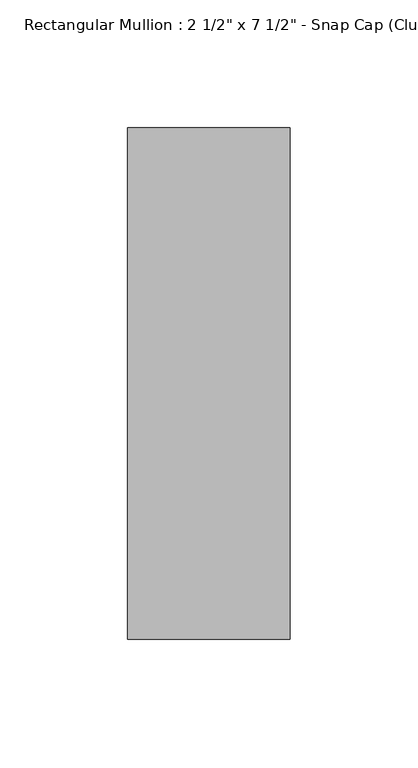
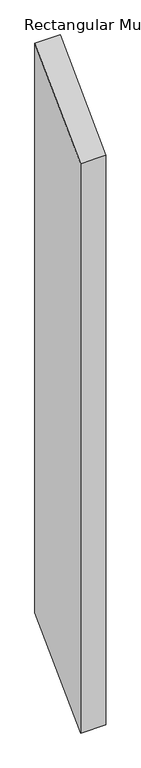
"""IFC4 building model written with IfcOpenShell, lengths in millimetres: member geometry."""

from ifc_helpers import new_model, si_unit, frame, origin, place, context, project, spatial, polyline, outline, extrude, source, transform, mapped, element, save


def member_6a401516(model_context):
    return source(origin(), model_context, "Body", "SweptSolid", [
        extrude(outline(polyline([(-25.8, -25.8), (174.2, 174.2), (174.2, -1346.8), (-25.8, -1546.8), (-25.8, -25.8)])), frame((-63.5, 0.0, 0.0), z_axis=(1.0, 0.0, 0.0), x_axis=(0.0, 1.0, 0.0)), (0.0, 0.0, 1.0), 63.5),
    ])


if __name__ == "__main__":
    model = new_model("IFC4")
    model_context = context("Model", 3, world=origin())
    ifc_project = project(units=[si_unit("LENGTHUNIT", "METRE", prefix="MILLI")], contexts=[model_context])
    site = spatial("IfcSite", under=ifc_project)
    building = spatial("IfcBuilding", under=site)
    placement = place(None, origin())
    member_shape = member_6a401516(model_context)
    element("IfcMember", 1, ObjectType="Rectangular Mullion : 2 1/2\" x 7 1/2\" - Snap Cap (Club)", at=placement, inside=building, context=model_context, shape_type="MappedRepresentation", body=[
        mapped(member_shape, transform((0.0, 0.0, 0.0), x_axis=(1.0, 0.0, 0.0), y_axis=(0.0, 1.0, 0.0), z_axis=(0.0, 0.0, 1.0))),
    ])
    save(model, "model.ifc")
